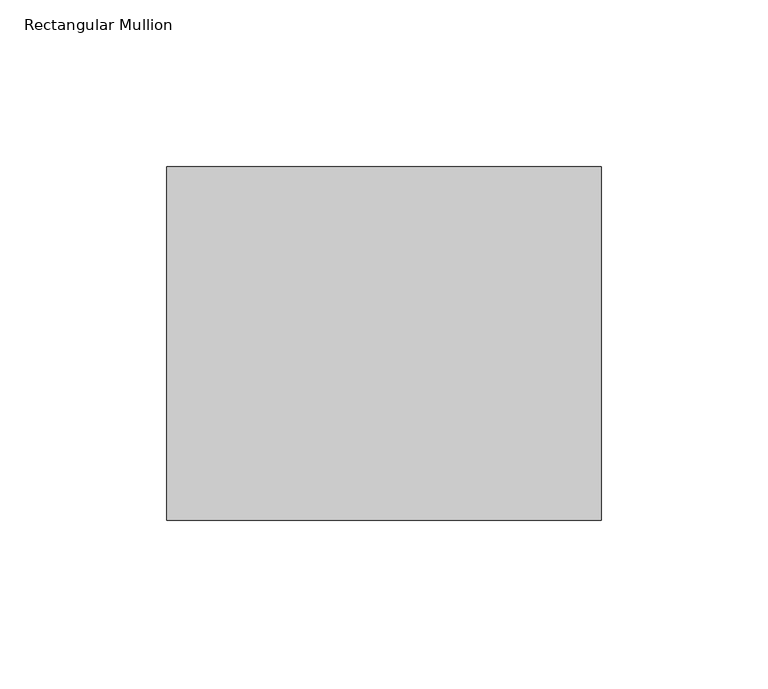
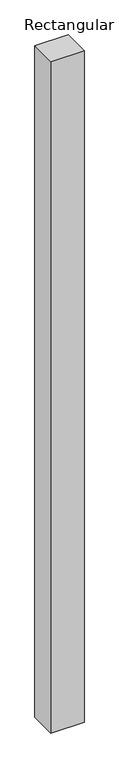
"""IFC4 building model written with IfcOpenShell, lengths in millimetres: member geometry, Rectangular Mullion."""

from ifc_helpers import new_model, si_unit, frame, origin, place, context, project, spatial, polyline, outline, extrude, source, transform, mapped, element, save


def rectangular_mullion_c3e41827(model_context):
    return source(origin(), model_context, "Body", "SweptSolid", [
        extrude(outline(polyline([(0.0, 52.8779994), (0.0, -52.8779994), (-130.0, -52.8779994), (-130.0, 52.8779994), (0.0, 52.8779994)])), frame((0.0, 0.0, -2760.0), z_axis=(0.0, 0.0, 1.0), x_axis=(1.0, 0.0, 0.0)), (0.0, 0.0, 1.0), 2760.0),
    ])


if __name__ == "__main__":
    model = new_model("IFC4")
    model_context = context("Model", 3, world=origin())
    ifc_project = project(units=[si_unit("LENGTHUNIT", "METRE", prefix="MILLI")], contexts=[model_context])
    site = spatial("IfcSite", under=ifc_project)
    building = spatial("IfcBuilding", under=site)
    placement = place(None, origin())
    rectangular_mullion_shape = rectangular_mullion_c3e41827(model_context)
    element("IfcMember", 1, ObjectType="Rectangular Mullion", at=placement, inside=building, context=model_context, shape_type="MappedRepresentation", body=[
        mapped(rectangular_mullion_shape, transform((0.0, 0.0, 0.0), x_axis=(1.0, 0.0, 0.0), y_axis=(0.0, 1.0, 0.0), z_axis=(0.0, 0.0, 1.0))),
    ])
    save(model, "model.ifc")
